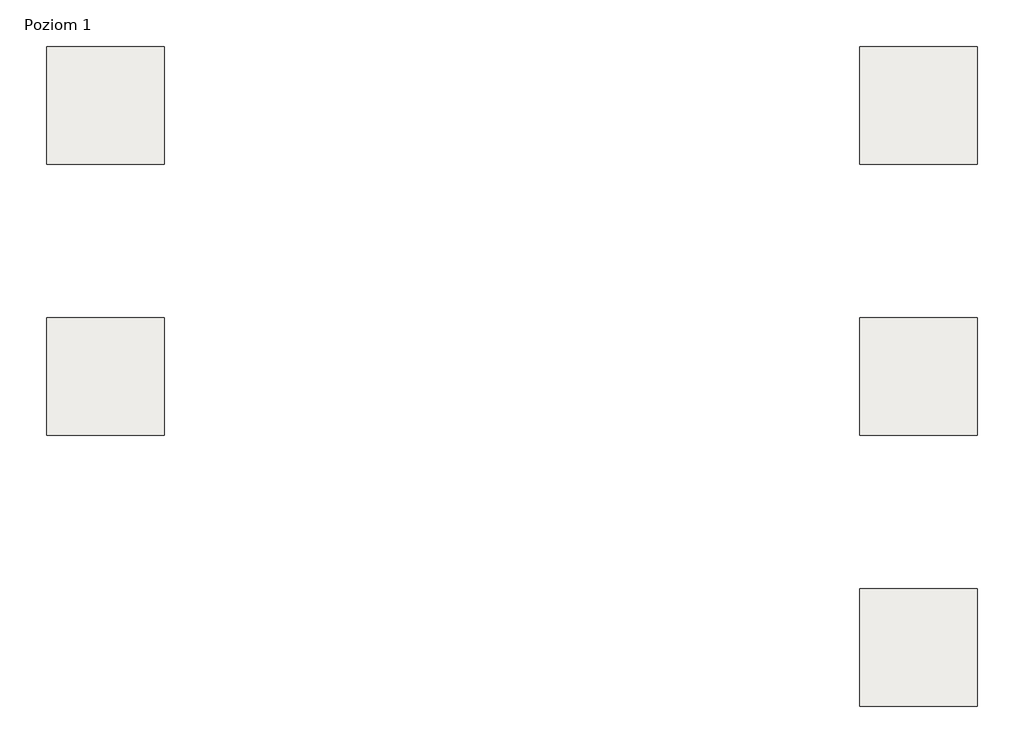
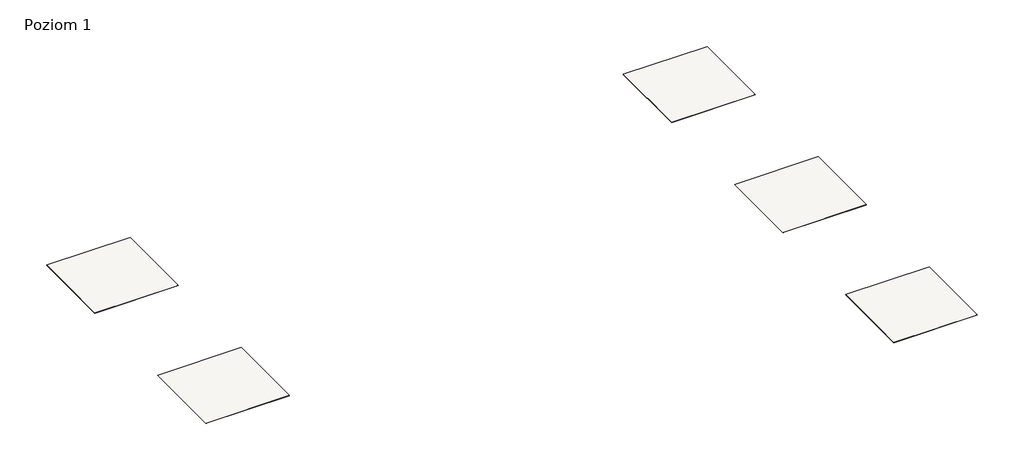
# One storey: 5 slabs.
"""IFC4 building model written with IfcOpenShell, lengths in millimetres."""

import ifcopenshell
import ifcopenshell.guid

model = None  # the IFC model being written
_history = None  # IfcOwnerHistory: only IFC2X3 demands one
_inside = {}  # id of a spatial element -> (the spatial element, [elements in it])
_under = {}  # id of a project, library or spatial element -> (it, [spatial elements below it])
_declared = {}  # id of a project -> (the project, [libraries it declares])
_typed = {}  # id of a type object -> (the type object, [elements of that type])
_made_of = {}  # id of a material, layer set ... -> (it, [elements and type objects made of it])


def new_model(schema):
    """Start an empty IFC model of exactly this schema.

    Asked for "IFC4X3", IfcOpenShell would pick the latest addendum, in which some entities
    have other attributes; the version numbers below select the first issue.
    IFC2X3 requires an IfcOwnerHistory on every rooted entity: one is made here for all.
    """
    global model, _history
    if schema == "IFC4X3":
        model = ifcopenshell.file(schema_version=(4, 3, 0, 0))
    else:
        model = ifcopenshell.file(schema=schema)
    _inside.clear()
    _under.clear()
    _declared.clear()
    _typed.clear()
    _made_of.clear()
    _history = None
    if model.schema == "IFC2X3":
        org = make("IfcOrganization", Name="unknown")
        user = make(
            "IfcPersonAndOrganization",
            ThePerson=make("IfcPerson", FamilyName="unknown"),
            TheOrganization=org,
        )
        app = make(
            "IfcApplication",
            ApplicationDeveloper=org,
            Version="unknown",
            ApplicationFullName="unknown",
            ApplicationIdentifier="unknown",
        )
        _history = make(
            "IfcOwnerHistory",
            OwningUser=user,
            OwningApplication=app,
            ChangeAction="ADDED",
            CreationDate=0,
        )
    return model


def make(cls, **values):
    """One entity of the class cls with the attributes given. An attribute that is None is left unset."""
    return model.create_entity(
        cls, **{name: value for name, value in values.items() if value is not None}
    )


def rooted(cls, **values):
    """An entity with a GlobalId (a new one), such as an element, a storey or a relation."""
    return make(cls, GlobalId=ifcopenshell.guid.new(), OwnerHistory=_history, **values)


def si_unit(unit_type, name, prefix=None):
    """IfcSIUnit, for example si_unit("LENGTHUNIT", "METRE", prefix="MILLI")."""
    return make("IfcSIUnit", UnitType=unit_type, Prefix=prefix, Name=name)


def assignment(units):
    """IfcUnitAssignment: the units of a project."""
    return None if units is None else make("IfcUnitAssignment", Units=units)


def point(xyz):
    """IfcCartesianPoint."""
    return None if xyz is None else make("IfcCartesianPoint", Coordinates=xyz)


def direction(xyz):
    """IfcDirection."""
    return None if xyz is None else make("IfcDirection", DirectionRatios=xyz)


def frame(location, z_axis=None, x_axis=None):
    """IfcAxis2Placement3D, a coordinate frame: its origin and axes. An axis left out is left unset."""
    return make(
        "IfcAxis2Placement3D",
        Location=point(location),
        Axis=direction(z_axis),
        RefDirection=direction(x_axis),
    )


def origin():
    """The frame at (0, 0, 0) with its axes left unset."""
    return frame((0.0, 0.0, 0.0))


def place(relative_to, where):
    """IfcLocalPlacement: puts the frame where relative to a parent placement (None: the world)."""
    return make(
        "IfcLocalPlacement", PlacementRelTo=relative_to, RelativePlacement=where
    )


def context(
    kind, dimensions, precision=None, world=None, true_north=None, identifier=None
):
    """IfcGeometricRepresentationContext, for example the 3D "Model" context."""
    return make(
        "IfcGeometricRepresentationContext",
        ContextIdentifier=identifier,
        ContextType=kind,
        CoordinateSpaceDimension=dimensions,
        Precision=precision,
        WorldCoordinateSystem=world,
        TrueNorth=true_north,
    )


def project(units=None, contexts=None):
    """IfcProject with its units and contexts."""
    return rooted(
        "IfcProject",
        Name="project",
        RepresentationContexts=contexts,
        UnitsInContext=assignment(units),
    )


def spatial(cls, under=None, at=None, **own):
    """A site, building, storey or space (cls), placed at a placement, below another one or the project."""
    s = rooted(cls, ObjectPlacement=at, **own)
    if under is not None:
        _under.setdefault(under.id(), (under, []))[1].append(s)
    return s


def polyline(points):
    """IfcPolyline through the points."""
    return make("IfcPolyline", Points=[point(p) for p in points])


def outline(outer, holes=None, kind="AREA"):
    """IfcArbitraryClosedProfileDef: a profile drawn as a closed curve; with holes, ...WithVoids."""
    if holes is None:
        return make("IfcArbitraryClosedProfileDef", ProfileType=kind, OuterCurve=outer)
    return make(
        "IfcArbitraryProfileDefWithVoids",
        ProfileType=kind,
        OuterCurve=outer,
        InnerCurves=holes,
    )


def extrude(swept, where, along, depth):
    """IfcExtrudedAreaSolid: the profile swept, set in the frame where, extruded along a direction by depth."""
    return make(
        "IfcExtrudedAreaSolid",
        SweptArea=swept,
        Position=where,
        ExtrudedDirection=direction(along),
        Depth=depth,
    )


def shape(context_of_items, identifier, shape_type, items):
    """IfcShapeRepresentation: the items that make up one representation, for example the "Body"."""
    return make(
        "IfcShapeRepresentation",
        ContextOfItems=context_of_items,
        RepresentationIdentifier=identifier,
        RepresentationType=shape_type,
        Items=items,
    )


def made_of(thing, what):
    """Note that an element or type object is made of a material, layer set ...; save() writes the relation."""
    if what is not None:
        _made_of.setdefault(what.id(), (what, []))[1].append(thing)
    return thing


def element(
    cls,
    number,
    at=None,
    inside=None,
    cuts=None,
    type_object=None,
    material=None,
    context=None,
    identifier="Body",
    shape_type=None,
    held_by="IfcProductDefinitionShape",
    body=None,
    shapes=None,
    **own,
):
    """One element of the class cls, such as IfcWall. Its Tag is "e" and its number.

    at: its placement. inside: the storey or other place that contains it. cuts: it is an
    opening in that element (IfcRelVoidsElement). A single representation is given by context,
    identifier, shape_type and body (its items); several are given by shapes. held_by: the class
    of the entity that holds the representations. save() writes the other relations.
    """
    e = rooted(cls, Tag="e%d" % number, ObjectPlacement=at, **own)
    if body is not None:
        shapes = [shape(context, identifier, shape_type, body)]
    if shapes is not None:
        e.Representation = make(held_by, Representations=shapes)
    if inside is not None:
        _inside.setdefault(inside.id(), (inside, []))[1].append(e)
    if cuts is not None:
        rooted(
            "IfcRelVoidsElement", RelatingBuildingElement=cuts, RelatedOpeningElement=e
        )
    if type_object is not None:
        _typed.setdefault(type_object.id(), (type_object, []))[1].append(e)
    return made_of(e, material)


def aggregate(whole, parts):
    """IfcRelAggregates: a whole, such as a stair, and the parts it consists of."""
    return rooted("IfcRelAggregates", RelatingObject=whole, RelatedObjects=parts)


def save(model, path):
    """Write the relations noted so far, then the file.

    IfcRelAggregates (storeys below a building ...), IfcRelContainedInSpatialStructure (elements
    in a storey), IfcRelDefinesByType, IfcRelAssociatesMaterial and IfcRelDeclares: one each for
    every whole, place, type object, material and project.
    """
    for whole, parts in _under.values():
        aggregate(whole, parts)
    for where, things in _inside.values():
        rooted(
            "IfcRelContainedInSpatialStructure",
            RelatedElements=things,
            RelatingStructure=where,
        )
    for kind, things in _typed.values():
        rooted("IfcRelDefinesByType", RelatedObjects=things, RelatingType=kind)
    for what, things in _made_of.values():
        rooted("IfcRelAssociatesMaterial", RelatedObjects=things, RelatingMaterial=what)
    for by, libraries in _declared.values():
        rooted("IfcRelDeclares", RelatingContext=by, RelatedDefinitions=libraries)
    model.write(path)


model = new_model("IFC4")

# Units and contexts
model_context = context("Model", 3, world=origin())
ifc_project = project(units=[si_unit("LENGTHUNIT", "METRE", prefix="MILLI")], contexts=[model_context])

# Site, building, storey
site = spatial("IfcSite", under=ifc_project)
building = spatial("IfcBuilding", under=site)
storey = spatial("IfcBuildingStorey", under=building, Name="Poziom 1", Elevation=0.0)

# Slabs
placement = place(None, origin())
element("IfcSlab", 1, at=placement, inside=storey, context=model_context, shape_type="SweptSolid", body=[
    extrude(outline(polyline([(3036.5009197, 24640.1445193), (3036.5009197, 23640.1445193), (2036.5009197, 23640.1445193), (2036.5009197, 24640.1445193), (3036.5009197, 24640.1445193)])), frame((0.0, 0.0, -4.0), z_axis=(0.0, 0.0, 1.0), x_axis=(1.0, 0.0, 0.0)), (0.0, 0.0, 1.0), 4.0),
])
element("IfcSlab", 2, at=placement, inside=storey, context=model_context, shape_type="SweptSolid", body=[
    extrude(outline(polyline([(3036.5009197, 22340.1445193), (3036.5009197, 21340.1445193), (2036.5009197, 21340.1445193), (2036.5009197, 22340.1445193), (3036.5009197, 22340.1445193)])), frame((0.0, 0.0, -4.0), z_axis=(0.0, 0.0, 1.0), x_axis=(1.0, 0.0, 0.0)), (0.0, 0.0, 1.0), 4.0),
])
element("IfcSlab", 3, at=placement, inside=storey, context=model_context, shape_type="SweptSolid", body=[
    extrude(outline(polyline([(9936.5009197, 24640.1445193), (9936.5009197, 23640.1445193), (8936.5009197, 23640.1445193), (8936.5009197, 24640.1445193), (9936.5009197, 24640.1445193)])), frame((0.0, 0.0, -4.0), z_axis=(0.0, 0.0, 1.0), x_axis=(1.0, 0.0, 0.0)), (0.0, 0.0, 1.0), 4.0),
])
element("IfcSlab", 4, at=placement, inside=storey, context=model_context, shape_type="SweptSolid", body=[
    extrude(outline(polyline([(9936.5009197, 22340.1445193), (9936.5009197, 21340.1445193), (8936.5009197, 21340.1445193), (8936.5009197, 22340.1445193), (9936.5009197, 22340.1445193)])), frame((0.0, 0.0, -4.0), z_axis=(0.0, 0.0, 1.0), x_axis=(1.0, 0.0, 0.0)), (0.0, 0.0, 1.0), 4.0),
])
element("IfcSlab", 5, at=placement, inside=storey, context=model_context, shape_type="SweptSolid", body=[
    extrude(outline(polyline([(9936.5009197, 20040.1445193), (9936.5009197, 19040.1445193), (8936.5009197, 19040.1445193), (8936.5009197, 20040.1445193), (9936.5009197, 20040.1445193)])), frame((0.0, 0.0, -4.0), z_axis=(0.0, 0.0, 1.0), x_axis=(1.0, 0.0, 0.0)), (0.0, 0.0, 1.0), 4.0),
])

save(model, "model.ifc")
